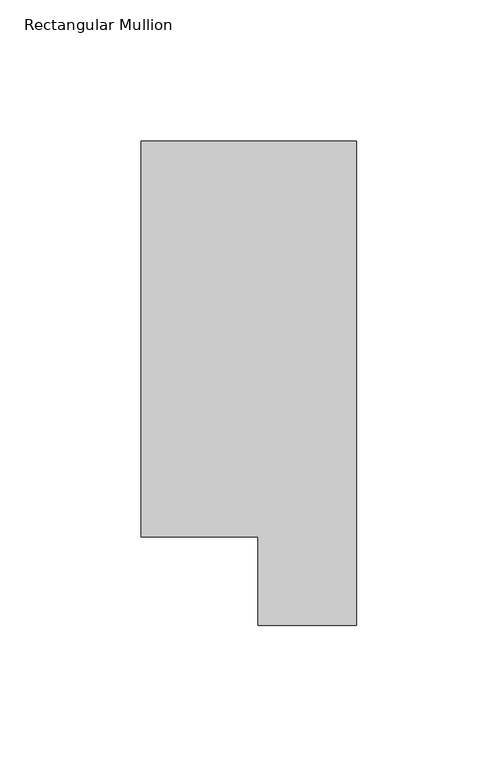
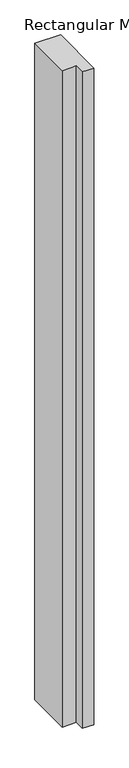
"""IFC4 building model written with IfcOpenShell, lengths in millimetres: member geometry, Rectangular Mullion."""

from ifc_helpers import new_model, si_unit, frame, origin, place, context, project, spatial, polyline, outline, extrude, source, transform, mapped, element, save


def rectangular_mullion_03f6d65d(model_context):
    return source(origin(), model_context, "Body", "SweptSolid", [
        extrude(outline(polyline([(0.0, 190.7881313), (0.0, 19.5667313), (-34.9123, 19.5667313), (-34.9123, 50.820278), (-76.2, 50.820278), (-76.2, 190.7881313), (0.0, 190.7881313)])), frame((0.0, 0.0, -2057.4), z_axis=(0.0, 0.0, 1.0), x_axis=(1.0, 0.0, 0.0)), (0.0, 0.0, 1.0), 2057.4),
    ])


if __name__ == "__main__":
    model = new_model("IFC4")
    model_context = context("Model", 3, world=origin())
    ifc_project = project(units=[si_unit("LENGTHUNIT", "METRE", prefix="MILLI")], contexts=[model_context])
    site = spatial("IfcSite", under=ifc_project)
    building = spatial("IfcBuilding", under=site)
    placement = place(None, origin())
    rectangular_mullion_shape = rectangular_mullion_03f6d65d(model_context)
    element("IfcMember", 1, ObjectType="Rectangular Mullion", at=placement, inside=building, context=model_context, shape_type="MappedRepresentation", body=[
        mapped(rectangular_mullion_shape, transform((0.0, 0.0, 0.0), x_axis=(1.0, 0.0, 0.0), y_axis=(0.0, 1.0, 0.0), z_axis=(0.0, 0.0, 1.0))),
    ])
    save(model, "model.ifc")
